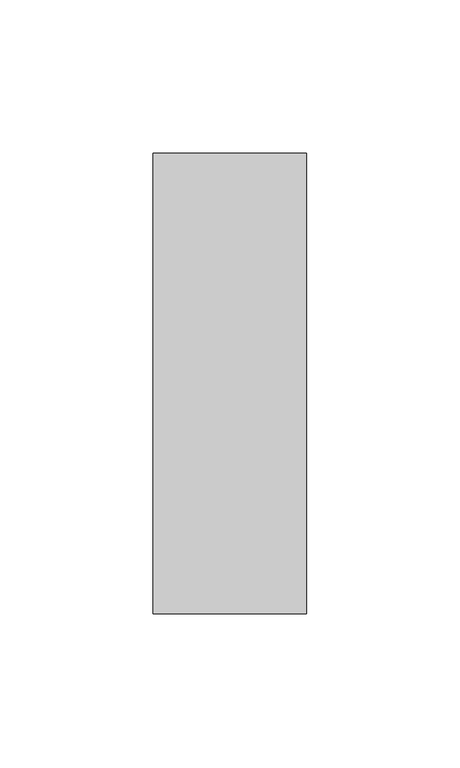
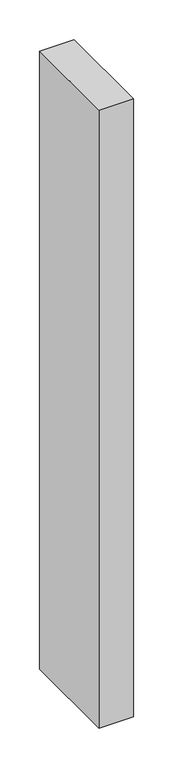
"""IFC4 building model written with IfcOpenShell, lengths in millimetres: member geometry."""

from ifc_helpers import new_model, si_unit, frame, origin, place, context, project, spatial, polyline, outline, extrude, source, transform, mapped, element, save


def member_a053b0ca(model_context):
    return source(origin(), model_context, "Body", "SweptSolid", [
        extrude(outline(polyline([(25.0, 75.0), (25.0, -75.0), (-25.0, -75.0), (-25.0, 75.0), (25.0, 75.0)])), frame((0.0, 0.0, -950.0), z_axis=(0.0, 0.0, 1.0), x_axis=(1.0, 0.0, 0.0)), (0.0, 0.0, 1.0), 950.0),
    ])


if __name__ == "__main__":
    model = new_model("IFC4")
    model_context = context("Model", 3, world=origin())
    ifc_project = project(units=[si_unit("LENGTHUNIT", "METRE", prefix="MILLI")], contexts=[model_context])
    site = spatial("IfcSite", under=ifc_project)
    building = spatial("IfcBuilding", under=site)
    placement = place(None, origin())
    member_shape = member_a053b0ca(model_context)
    element("IfcMember", 1, at=placement, inside=building, context=model_context, shape_type="MappedRepresentation", body=[
        mapped(member_shape, transform((0.0, 0.0, 0.0), x_axis=(1.0, 0.0, 0.0), y_axis=(0.0, 1.0, 0.0), z_axis=(0.0, 0.0, 1.0))),
    ])
    save(model, "model.ifc")
